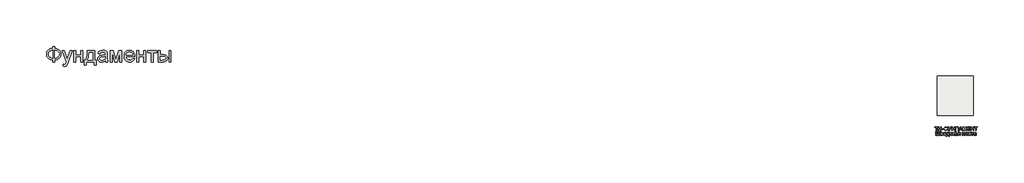
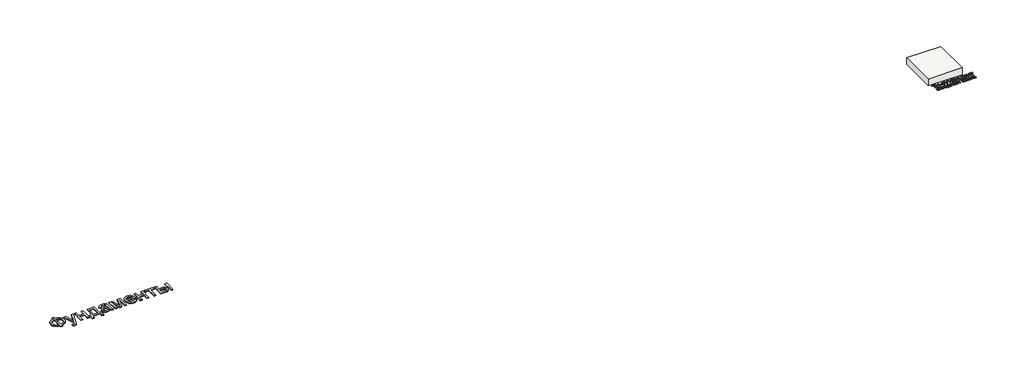
# One storey: 2 proxies, 1 slab.
"""IFC4 building model written with IfcOpenShell, lengths in millimetres."""

from ifc_helpers import new_model, si_unit, frame, origin, origin_with_axes, place, context, project, spatial, polyline, outline, extrude, element, save

model = new_model("IFC4")

# Units and contexts
model_context = context("Model", 3, world=origin())
ifc_project = project(units=[si_unit("LENGTHUNIT", "METRE", prefix="MILLI")], contexts=[model_context])

# Site, building, storey
site = spatial("IfcSite", under=ifc_project)
building = spatial("IfcBuilding", under=site)
storey = spatial("IfcBuildingStorey", under=building, Elevation=0.0)

# Proxies
placement = place(None, origin())
element("IfcBuildingElementProxy", 1, Name="Generic Models", at=placement, inside=storey, context=model_context, shape_type="SweptSolid", body=[
    extrude(outline(polyline([(-1939.8736325, -26885.7211043), (-1939.8736325, -26787.7817103), (-1841.9342386, -26787.7817103), (-1841.9342386, -26885.7211043), (-1772.0723186, -26894.3529698), (-1709.9695132, -26912.2144755), (-1655.6258224, -26939.3056213), (-1609.0412461, -26975.6264073), (-1571.6743546, -27019.0607113), (-1544.9837177, -27067.4924111), (-1528.9693356, -27120.9215067), (-1523.6312083, -27179.3479982), (-1528.8019587, -27236.6028514), (-1544.3142102, -27289.3863505), (-1570.1679625, -27337.6984954), (-1606.3632158, -27381.5392861), (-1628.1416397, -27401.1761824), (-1652.1109076, -27418.4817577), (-1706.6219753, -27446.0989452), (-1769.896419, -27464.3908486), (-1841.9342386, -27473.3574679), (-1841.9342386, -27571.2968619), (-1939.8736325, -27571.2968619), (-1939.8736325, -27473.3574679), (-2005.3060425, -27466.0586398), (-2065.0237272, -27449.518216), (-2119.0266865, -27423.7361966), (-2167.3149204, -27388.7125816), (-2207.0669327, -27345.8939854), (-2222.6837947, -27322.10405), (-2235.4612272, -27296.7270228), (-2245.3992303, -27269.7629041), (-2252.4978039, -27241.2116938), (-2258.1766628, -27179.3479982), (-2252.5157371, -27117.2033486), (-2245.4395801, -27088.5878775), (-2235.5329602, -27061.6103088), (-2222.7958774, -27036.2706426), (-2207.2283318, -27012.5688789), (-2188.8303234, -26990.5050176), (-2167.6018522, -26970.0790588), (-2119.4032845, -26935.3961753), (-2065.382392, -26909.775555), (-2005.5391746, -26893.217198), (-1939.8736325, -26885.7211043)]), holes=[polyline([(-1841.9342386, -26983.6604982), (-1841.9342386, -27375.418074), (-1793.3949393, -27370.2234125), (-1750.3073446, -27359.2303372), (-1712.6714545, -27342.4388481), (-1680.4872689, -27319.8489452), (-1654.7112272, -27291.9627591), (-1636.2997689, -27259.2824206), (-1625.2528939, -27221.8079296), (-1621.5706022, -27179.5392861), (-1625.1871387, -27137.922217), (-1636.036748, -27100.872146), (-1654.1194303, -27068.389073), (-1679.4351855, -27040.4729982), (-1711.2905951, -27017.6977852), (-1748.9922405, -27000.6372975), (-1792.5401216, -26989.2915352), (-1841.9342386, -26983.6604982)]), polyline([(-1939.8736325, -26983.6604982), (-1986.781007, -26988.5861611), (-2028.989873, -26999.3461043), (-2066.5002305, -27015.9403278), (-2099.3120795, -27038.3688316), (-2125.9668498, -27066.2012179), (-2145.0059715, -27099.0070891), (-2156.4294445, -27136.7864452), (-2160.2372689, -27179.5392861), (-2156.4772665, -27221.9035735), (-2145.1972594, -27259.4737085), (-2126.3972476, -27292.2496909), (-2100.077231, -27320.231521), (-2067.5044919, -27342.8692459), (-2029.9463124, -27359.612913), (-1987.4026926, -27370.4625224), (-1939.8736325, -27375.418074), (-1939.8736325, -26983.6604982)])]), origin_with_axes(), (0.0, 0.0, 1.0), 40.0),
    extrude(outline(polyline([(-1401.2069658, -27791.6604982), (-1413.4493901, -27697.355574), (-1386.764731, -27703.8115399), (-1363.7145416, -27705.9635285), (-1337.5559242, -27703.2615872), (-1317.2315871, -27695.1557634), (-1301.4025151, -27682.2199206), (-1288.7296931, -27665.0279225), (-1261.9493901, -27592.9123922), (-1254.2978749, -27569.1926952), (-1462.4190871, -26995.9029225), (-1359.1236325, -26995.9029225), (-1248.7505264, -27315.35368), (-1210.3016628, -27443.1339831), (-1171.8527992, -27330.2741346), (-1058.4190871, -26995.9029225), (-955.888784, -26995.9029225), (-1156.1671931, -27585.0695891), (-1185.9124583, -27663.4019755), (-1208.1974961, -27712.8498922), (-1234.8343333, -27753.6420323), (-1265.0099961, -27781.9048164), (-1300.0634999, -27798.403396), (-1341.3338598, -27803.9029225), (-1369.6922878, -27800.8423164), (-1401.2069658, -27791.6604982)])), origin_with_axes(), (0.0, 0.0, 1.0), 40.0),
    extrude(outline(polyline([(-874.7827234, -26995.9029225), (-776.8433295, -26995.9029225), (-776.8433295, -27216.2665588), (-519.7524204, -27216.2665588), (-519.7524204, -26995.9029225), (-421.8130264, -26995.9029225), (-421.8130264, -27571.2968619), (-519.7524204, -27571.2968619), (-519.7524204, -27314.2059528), (-776.8433295, -27314.2059528), (-776.8433295, -27571.2968619), (-874.7827234, -27571.2968619), (-874.7827234, -26995.9029225)])), origin_with_axes(), (0.0, 0.0, 1.0), 40.0),
    extrude(outline(polyline([(-189.2069658, -26995.9029225), (178.0657614, -26995.9029225), (178.0657614, -27473.3574679), (251.5203069, -27473.3574679), (251.5203069, -27730.448377), (153.5809129, -27730.448377), (153.5809129, -27571.2968619), (-250.4190871, -27571.2968619), (-250.4190871, -27730.448377), (-348.358481, -27730.448377), (-348.358481, -27473.3574679), (-287.1463598, -27473.3574679), (-263.2293972, -27436.3970631), (-242.648017, -27392.9448259), (-225.4022192, -27343.0007563), (-211.4920037, -27286.5648543), (-200.9173707, -27223.6371199), (-193.67832, -27154.2175531), (-189.7748517, -27078.306154), (-189.2069658, -26995.9029225)]), holes=[polyline([(-103.5099961, -27093.8423164), (-111.5440871, -27213.7559054), (-126.4645416, -27316.979627), (-148.2713598, -27403.5134812), (-161.7571552, -27440.521708), (-176.9645416, -27473.3574679), (80.1263675, -27473.3574679), (80.1263675, -27093.8423164), (-103.5099961, -27093.8423164)])]), origin_with_axes(), (0.0, 0.0, 1.0), 40.0),
    extrude(outline(polyline([(728.9748523, -27497.8423164), (682.181055, -27537.964949), (658.2640924, -27552.8256261), (634.0004205, -27564.2192103), (583.3330436, -27578.7092672), (529.079019, -27583.5392861), (485.4713604, -27580.6341014), (447.2317179, -27571.9185475), (414.3600914, -27557.3926242), (386.8564811, -27537.0563316), (365.1393291, -27512.2008628), (349.6270777, -27484.1174111), (340.3197269, -27452.8059764), (337.2172766, -27418.2665588), (341.9038296, -27377.6657066), (355.9634887, -27340.7949679), (377.650752, -27309.2324679), (405.2201175, -27284.5563316), (437.619502, -27265.9057634), (473.796822, -27252.4199679), (558.5373523, -27237.6908013), (658.6765569, -27222.1964831), (728.4009887, -27204.0241346), (728.9748523, -27182.2173164), (727.2891279, -27158.4737085), (722.2319546, -27138.5080361), (713.8033325, -27122.3202994), (702.0032614, -27109.9104982), (681.6071914, -27097.5246081), (656.7636781, -27088.6775437), (627.4727217, -27083.369305), (593.734322, -27081.5998922), (535.391519, -27086.3103562), (512.8195493, -27092.1984362), (494.6472008, -27100.4417482), (479.7147908, -27111.6858888), (466.8626364, -27126.5764547), (456.0907378, -27145.1134457), (447.3990948, -27167.2968619), (349.4597008, -27155.0544376), (366.4604111, -27101.4938316), (378.0990829, -27079.0175058), (391.829966, -27059.4104982), (408.2448571, -27042.2782776), (427.9355531, -27027.2263126), (450.902054, -27014.2546033), (477.1443599, -27003.3631497), (537.3283088, -26988.5861611), (606.359322, -26983.6604982), (672.5688391, -26988.0122975), (725.0534508, -27001.0676952), (764.6261307, -27020.6986138), (792.0998523, -27044.7769755), (810.3200228, -27074.5461516), (822.1320493, -27111.2495134), (825.718697, -27145.1074679), (826.9142463, -27196.9464831), (826.9142463, -27318.7968619), (828.1576175, -27424.9377236), (831.8877311, -27488.94743), (839.2523145, -27531.0068524), (851.3990948, -27571.2968619), (753.4597008, -27571.2968619), (737.7740948, -27537.2476194), (728.9748523, -27497.8423164)]), holes=[polyline([(728.9748523, -27301.9635285), (663.171822, -27318.2708202), (570.9710645, -27331.9957255), (520.1602217, -27339.5037747), (486.7087539, -27347.8726194), (464.7823807, -27358.7282066), (448.546822, -27373.6964831), (438.5042084, -27391.6297217), (435.1566705, -27411.3801952), (436.9798831, -27426.599537), (442.4495209, -27440.5037747), (451.5655839, -27453.0929083), (464.328072, -27464.3669376), (480.6174305, -27473.6563552), (500.3141042, -27480.2916535), (549.9293978, -27485.5998922), (602.5335645, -27479.7417009), (626.5401932, -27472.4189618), (649.016519, -27462.167127), (686.7002311, -27436.2715304), (712.9066705, -27405.450271), (724.5274092, -27373.6964831), (728.4009887, -27329.700271), (728.9748523, -27301.9635285)])]), origin_with_axes(), (0.0, 0.0, 1.0), 40.0),
    extrude(outline(polyline([(961.5809129, -26995.9029225), (1130.1055342, -26995.9029225), (1259.9900039, -27456.5241346), (1400.0127311, -26995.9029225), (1561.4597008, -26995.9029225), (1561.4597008, -27571.2968619), (1463.5203069, -27571.2968619), (1463.5203069, -27107.9976194), (1322.7324281, -27571.2968619), (1194.1869736, -27571.2968619), (1059.5203069, -27085.8082255), (1059.5203069, -27571.2968619), (961.5809129, -27571.2968619), (961.5809129, -26995.9029225)])), origin_with_axes(), (0.0, 0.0, 1.0), 40.0),
    extrude(outline(polyline([(2111.2210645, -27399.9029225), (2207.2475796, -27412.1453467), (2192.5243907, -27450.6061658), (2172.6483845, -27484.4999869), (2147.6195611, -27513.8268098), (2117.4379205, -27538.5866346), (2082.4143055, -27558.2534196), (2042.8595588, -27572.3011232), (1998.7736805, -27580.7297454), (1950.1566705, -27583.5392861), (1889.3869025, -27578.6913339), (1835.2404773, -27564.1474774), (1787.717395, -27539.9077165), (1746.8176554, -27505.9720513), (1713.9280957, -27463.2849656), (1690.4355531, -27412.7909433), (1676.3400275, -27354.4899845), (1671.641519, -27288.3820891), (1676.3878495, -27220.0325389), (1690.626841, -27159.7888126), (1714.3584934, -27107.6509102), (1747.5828069, -27063.6188316), (1788.374947, -27028.6370607), (1834.8100796, -27003.6500816), (1886.8882046, -26988.6578941), (1944.609322, -26983.6604982), (2000.4713604, -26988.6459386), (2050.9892936, -27003.6022596), (2096.1631218, -27028.5294613), (2135.9928448, -27063.4275437), (2168.5058064, -27107.3639783), (2191.7293504, -27159.4062369), (2205.6634769, -27219.5543192), (2210.3081857, -27287.8082255), (2209.734322, -27314.2059528), (1769.5809129, -27314.2059528), (1775.2537941, -27353.2884575), (1786.5338012, -27387.5170323), (1803.4209343, -27416.8916772), (1825.9151932, -27441.4123922), (1852.773207, -27460.7444234), (1882.7516042, -27474.5530172), (1915.850385, -27482.8381734), (1952.0695493, -27485.5998922), (2004.1954963, -27480.4829414), (2048.0960645, -27465.1320891), (2066.9618315, -27453.3798401), (2083.7712539, -27438.590896), (2098.5243315, -27420.7652567), (2111.2210645, -27399.9029225)]), holes=[polyline([(1769.5809129, -27216.2665588), (2112.3687917, -27216.2665588), (2107.3355294, -27188.5537274), (2099.1221061, -27164.5231876), (2087.7285218, -27144.1749395), (2073.1547766, -27127.5089831), (2046.4462065, -27107.4237558), (2016.0553448, -27093.0771649), (1981.9821914, -27084.4692103), (1944.2267463, -27081.5998922), (1909.7889504, -27083.889369), (1878.2085171, -27090.7577994), (1849.4854466, -27102.2051834), (1823.6197387, -27118.231521), (1801.9145422, -27138.0955716), (1785.6730057, -27161.0560948), (1774.8951293, -27187.1130906), (1769.5809129, -27216.2665588)])]), origin_with_axes(), (0.0, 0.0, 1.0), 40.0),
    extrude(outline(polyline([(2308.2475796, -26995.9029225), (2406.1869736, -26995.9029225), (2406.1869736, -27216.2665588), (2663.2778826, -27216.2665588), (2663.2778826, -26995.9029225), (2761.2172766, -26995.9029225), (2761.2172766, -27571.2968619), (2663.2778826, -27571.2968619), (2663.2778826, -27314.2059528), (2406.1869736, -27314.2059528), (2406.1869736, -27571.2968619), (2308.2475796, -27571.2968619), (2308.2475796, -26995.9029225)])), origin_with_axes(), (0.0, 0.0, 1.0), 40.0),
    extrude(outline(polyline([(2859.1566705, -26995.9029225), (3324.3687917, -26995.9029225), (3324.3687917, -27093.8423164), (3140.7324281, -27093.8423164), (3140.7324281, -27571.2968619), (3042.7930342, -27571.2968619), (3042.7930342, -27093.8423164), (2859.1566705, -27093.8423164), (2859.1566705, -26995.9029225)])), origin_with_axes(), (0.0, 0.0, 1.0), 40.0),
    extrude(outline(polyline([(3948.7324281, -26995.9029225), (4046.671822, -26995.9029225), (4046.671822, -27571.2968619), (3948.7324281, -27571.2968619), (3948.7324281, -26995.9029225)])), origin_with_axes(), (0.0, 0.0, 1.0), 40.0),
    extrude(outline(polyline([(3410.0657614, -26995.9029225), (3508.0051554, -26995.9029225), (3508.0051554, -27204.0241346), (3629.0903826, -27204.0241346), (3684.8089551, -27207.0907184), (3733.7487633, -27216.2904698), (3775.9098074, -27231.6233888), (3811.2920872, -27253.0894755), (3839.2858727, -27279.9474892), (3859.2814338, -27311.4561895), (3871.2787704, -27347.6155763), (3875.2778826, -27388.4256497), (3871.924367, -27424.8361019), (3861.8638201, -27458.5087463), (3845.096242, -27489.443583), (3821.6216326, -27517.6406119), (3790.7824399, -27541.1152212), (3751.9211118, -27557.8827994), (3705.0376483, -27567.9433462), (3650.1320493, -27571.2968619), (3410.0657614, -27571.2968619), (3410.0657614, -26995.9029225)]), holes=[polyline([(3508.0051554, -27473.3574679), (3608.6225796, -27473.3574679), (3686.6202122, -27468.2166062), (3715.8274802, -27461.790529), (3738.5070493, -27452.794021), (3755.495804, -27441.0716606), (3767.6306289, -27426.4680266), (3774.9115237, -27408.983119), (3777.3384887, -27388.6169376), (3775.5391871, -27372.1542245), (3770.1412823, -27356.6240399), (3761.1447742, -27342.0263836), (3748.5496629, -27328.3612558), (3729.8094286, -27316.8122501), (3702.3775512, -27308.5629603), (3666.2540308, -27303.6133865), (3621.4388675, -27301.9635285), (3508.0051554, -27301.9635285), (3508.0051554, -27473.3574679)])]), origin_with_axes(), (0.0, 0.0, 1.0), 40.0),
])
element("IfcBuildingElementProxy", 2, Name="Generic Models", at=placement, inside=storey, context=model_context, shape_type="SweptSolid", body=[
    extrude(outline(polyline([(42820.2581088, -31067.2506219), (42820.2581088, -30894.9429296), (42755.6427242, -30894.9429296), (42755.6427242, -30870.327545), (42909.488878, -30870.327545), (42909.488878, -30894.9429296), (42844.8734934, -30894.9429296), (42844.8734934, -31067.2506219), (42820.2581088, -31067.2506219)])), origin_with_axes(), (0.0, 0.0, 1.0), 20.0),
    extrude(outline(polyline([(42937.1811857, -31067.2506219), (42937.1811857, -30870.327545), (42961.7965704, -30870.327545), (42961.7965704, -30950.327545), (43066.411955, -30950.327545), (43066.411955, -30870.327545), (43091.0273396, -30870.327545), (43091.0273396, -31067.2506219), (43066.411955, -31067.2506219), (43066.411955, -30974.9429296), (42961.7965704, -30974.9429296), (42961.7965704, -31067.2506219), (42937.1811857, -31067.2506219)])), origin_with_axes(), (0.0, 0.0, 1.0), 20.0),
    extrude(outline(polyline([(43118.7196473, -31008.7890834), (43118.7196473, -30984.1736988), (43195.6427242, -30984.1736988), (43195.6427242, -31008.7890834), (43118.7196473, -31008.7890834)])), origin_with_axes(), (0.0, 0.0, 1.0), 20.0),
    extrude(outline(polyline([(43297.1811857, -30894.9429296), (43297.1811857, -30870.327545), (43321.7965704, -30870.327545), (43321.7965704, -30894.9429296), (43354.9636377, -30901.6015834), (43380.3302242, -30917.5390834), (43396.4299838, -30940.6280257), (43401.7965704, -30968.7410065), (43396.598253, -30996.3972565), (43381.0033011, -31019.5583142), (43355.8049838, -31035.7842757), (43321.7965704, -31042.6352373), (43321.7965704, -31067.2506219), (43297.1811857, -31067.2506219), (43297.1811857, -31042.6352373), (43265.7268588, -31036.6436507), (43240.0177242, -31021.3611988), (43230.0267386, -31010.5994801), (43222.8903204, -30998.2422084), (43217.1811857, -30968.7410065), (43222.8722915, -30939.1496603), (43229.9861737, -30926.8239392), (43239.9456088, -30916.1448527), (43265.6367146, -30900.9886027), (43297.1811857, -30894.9429296)]), holes=[polyline([(43297.1811857, -30919.5583142), (43274.7833492, -30923.5006219), (43257.1090704, -30933.3083142), (43245.6246954, -30948.5486988), (43241.7965704, -30968.7890834), (43245.5766184, -30988.8792277), (43256.9167627, -31004.1496603), (43274.5429646, -31014.0474969), (43297.1811857, -31018.0198527), (43297.1811857, -30919.5583142)]), polyline([(43321.7965704, -30919.5583142), (43321.7965704, -31018.0198527), (43344.8254165, -31013.951343), (43362.3734934, -31004.0535065), (43373.4792627, -30988.8311507), (43377.1811857, -30968.7890834), (43373.5453684, -30949.0174488), (43362.6379165, -30933.8371603), (43345.1559454, -30923.8251411), (43321.7965704, -30919.5583142)])]), origin_with_axes(), (0.0, 0.0, 1.0), 20.0),
    extrude(outline(polyline([(43421.7965704, -30870.327545), (43449.0561857, -30870.327545), (43507.9504165, -30986.9621603), (43560.9311857, -30870.327545), (43587.9504165, -30870.327545), (43513.1908011, -31023.7410065), (43492.8542627, -31061.4333142), (43483.2028204, -31068.1039873), (43470.113878, -31070.327545), (43447.9504165, -31067.2506219), (43447.9504165, -31045.7121603), (43467.3254165, -31045.7121603), (43481.7004165, -31040.2313911), (43495.0177242, -31015.279468), (43421.7965704, -30870.327545)])), origin_with_axes(), (0.0, 0.0, 1.0), 20.0),
    extrude(outline(polyline([(43611.0273396, -31067.2506219), (43611.0273396, -30870.327545), (43635.6427242, -30870.327545), (43635.6427242, -30950.327545), (43740.2581088, -30950.327545), (43740.2581088, -30870.327545), (43764.8734934, -30870.327545), (43764.8734934, -31067.2506219), (43740.2581088, -31067.2506219), (43740.2581088, -30974.9429296), (43635.6427242, -30974.9429296), (43635.6427242, -31067.2506219), (43611.0273396, -31067.2506219)])), origin_with_axes(), (0.0, 0.0, 1.0), 20.0),
    extrude(outline(polyline([(43826.411955, -30870.327545), (43943.3350319, -30870.327545), (43943.3350319, -31042.6352373), (43961.7965704, -31042.6352373), (43961.7965704, -31113.404468), (43937.1811857, -31113.404468), (43937.1811857, -31067.2506219), (43811.0273396, -31067.2506219), (43811.0273396, -31113.404468), (43786.411955, -31113.404468), (43786.411955, -31042.6352373), (43801.7965704, -31042.6352373), (43812.5658011, -31020.3065113), (43820.2581088, -30988.8972565), (43824.8734934, -30948.4074728), (43826.411955, -30898.8371603), (43826.411955, -30870.327545)]), holes=[polyline([(43918.7196473, -30894.9429296), (43851.0273396, -30894.9429296), (43851.0273396, -30904.8467757), (43846.0273396, -30972.2986988), (43838.6234934, -31011.2770642), (43826.411955, -31042.6352373), (43918.7196473, -31042.6352373), (43918.7196473, -30894.9429296)])]), origin_with_axes(), (0.0, 0.0, 1.0), 20.0),
    extrude(outline(polyline([(43969.6331088, -31067.2506219), (44048.238878, -30870.327545), (44069.2004165, -30870.327545), (44147.8061857, -31067.2506219), (44121.7965704, -31067.2506219), (44099.2484934, -31005.7121603), (44018.1427242, -31005.7121603), (43995.6427242, -31067.2506219), (43969.6331088, -31067.2506219)]), holes=[polyline([(44027.1811857, -30981.0967757), (44090.2581088, -30981.0967757), (44072.5177242, -30932.6833142), (44058.7196473, -30894.9429296), (44046.4600319, -30928.452545), (44027.1811857, -30981.0967757)])]), origin_with_axes(), (0.0, 0.0, 1.0), 20.0),
    extrude(outline(polyline([(44174.1042627, -31067.2506219), (44174.1042627, -30870.327545), (44216.4600319, -30870.327545), (44256.7484934, -31009.1256219), (44264.8734934, -31038.1160065), (44273.6715704, -31006.7217757), (44313.286955, -30870.327545), (44355.6427242, -30870.327545), (44355.6427242, -31067.2506219), (44331.0273396, -31067.2506219), (44331.0273396, -30894.9429296), (44281.5561857, -31067.2506219), (44248.1908011, -31067.2506219), (44198.7196473, -30894.9429296), (44198.7196473, -31067.2506219), (44174.1042627, -31067.2506219)])), origin_with_axes(), (0.0, 0.0, 1.0), 20.0),
    extrude(outline(polyline([(44398.7196473, -31067.2506219), (44398.7196473, -30870.327545), (44540.2581088, -30870.327545), (44540.2581088, -30894.9429296), (44423.3350319, -30894.9429296), (44423.3350319, -30953.404468), (44534.1042627, -30953.404468), (44534.1042627, -30978.0198527), (44423.3350319, -30978.0198527), (44423.3350319, -31042.6352373), (44543.3350319, -31042.6352373), (44543.3350319, -31067.2506219), (44398.7196473, -31067.2506219)])), origin_with_axes(), (0.0, 0.0, 1.0), 20.0),
    extrude(outline(polyline([(44580.2581088, -31067.2506219), (44580.2581088, -30870.327545), (44604.8734934, -30870.327545), (44604.8734934, -30950.327545), (44709.488878, -30950.327545), (44709.488878, -30870.327545), (44734.1042627, -30870.327545), (44734.1042627, -31067.2506219), (44709.488878, -31067.2506219), (44709.488878, -30974.9429296), (44604.8734934, -30974.9429296), (44604.8734934, -31067.2506219), (44580.2581088, -31067.2506219)])), origin_with_axes(), (0.0, 0.0, 1.0), 20.0),
    extrude(outline(polyline([(44826.411955, -31067.2506219), (44826.411955, -30894.9429296), (44761.7965704, -30894.9429296), (44761.7965704, -30870.327545), (44915.6427242, -30870.327545), (44915.6427242, -30894.9429296), (44851.0273396, -30894.9429296), (44851.0273396, -31067.2506219), (44826.411955, -31067.2506219)])), origin_with_axes(), (0.0, 0.0, 1.0), 20.0),
    extrude(outline(polyline([(42814.1042627, -31113.404468), (42838.7196473, -31113.404468), (42838.7196473, -31285.7121603), (42909.488878, -31285.7121603), (42909.488878, -31113.404468), (42934.1042627, -31113.404468), (42934.1042627, -31285.7121603), (43004.8734934, -31285.7121603), (43004.8734934, -31113.404468), (43029.488878, -31113.404468), (43029.488878, -31310.327545), (42814.1042627, -31310.327545), (42814.1042627, -31113.404468)])), origin_with_axes(), (0.0, 0.0, 1.0), 20.0),
    extrude(outline(polyline([(43066.411955, -31165.7121603), (43120.6427242, -31165.7121603), (43150.3783011, -31169.0054296), (43167.1090704, -31181.0727373), (43172.3554646, -31190.71817), (43174.1042627, -31202.1063911), (43169.8734934, -31219.1977373), (43157.1331088, -31231.3852373), (43166.2436857, -31236.49942), (43173.6715704, -31244.7265834), (43178.6114742, -31255.4176892), (43180.2581088, -31267.9236988), (43176.0874357, -31286.685718), (43166.1715704, -31299.8948527), (43150.474455, -31307.7193719), (43128.9600319, -31310.327545), (43066.411955, -31310.327545), (43066.411955, -31165.7121603)]), holes=[polyline([(43091.0273396, -31221.0967757), (43115.3542627, -31221.0967757), (43135.426378, -31219.8467757), (43145.1859934, -31214.8467757), (43149.488878, -31205.8083142), (43147.6018588, -31198.4645642), (43141.9408011, -31193.7410065), (43116.1234934, -31190.327545), (43091.0273396, -31190.327545), (43091.0273396, -31221.0967757)]), polyline([(43091.0273396, -31285.7121603), (43121.2196473, -31285.7121603), (43137.6739742, -31284.6003815), (43147.9984934, -31281.265045), (43153.5393588, -31275.201343), (43155.6427242, -31265.904468), (43151.4359934, -31254.0535065), (43140.474455, -31247.154468), (43118.8158011, -31245.7121603), (43091.0273396, -31245.7121603), (43091.0273396, -31285.7121603)])]), origin_with_axes(), (0.0, 0.0, 1.0), 20.0),
    extrude(outline(polyline([(43312.2773396, -31267.2506219), (43336.411955, -31270.327545), (43327.7160415, -31288.5126411), (43313.8398396, -31302.1063911), (43295.0958492, -31310.5799488), (43271.7965704, -31313.404468), (43242.9143588, -31308.53067), (43220.6908011, -31293.9092757), (43206.520128, -31270.4898046), (43201.7965704, -31239.2217757), (43206.568205, -31206.9020642), (43220.8831088, -31182.7313911), (43242.8061857, -31167.6592757), (43270.4023396, -31162.6352373), (43297.1391184, -31167.6472565), (43318.5033011, -31182.6833142), (43332.5117146, -31206.8059103), (43337.1811857, -31239.077545), (43337.036955, -31245.7121603), (43226.411955, -31245.7121603), (43230.6727723, -31264.1376411), (43240.5706088, -31277.6833142), (43254.8554646, -31286.0126411), (43272.2773396, -31288.7890834), (43296.411955, -31283.6448527), (43305.3783011, -31276.9741796), (43312.2773396, -31267.2506219)]), holes=[polyline([(43226.411955, -31221.0967757), (43312.5658011, -31221.0967757), (43309.2364742, -31208.091968), (43302.7100319, -31198.7890834), (43288.3590704, -31190.1352373), (43270.3061857, -31187.2506219), (43253.7136377, -31189.5523046), (43239.9936857, -31196.4573527), (43230.4564261, -31207.2205738), (43226.411955, -31221.0967757)])]), origin_with_axes(), (0.0, 0.0, 1.0), 20.0),
    extrude(outline(polyline([(43383.3350319, -31165.7121603), (43475.6427242, -31165.7121603), (43475.6427242, -31285.7121603), (43494.1042627, -31285.7121603), (43494.1042627, -31350.327545), (43469.488878, -31350.327545), (43469.488878, -31310.327545), (43367.9504165, -31310.327545), (43367.9504165, -31350.327545), (43343.3350319, -31350.327545), (43343.3350319, -31285.7121603), (43358.7196473, -31285.7121603), (43369.9035415, -31265.5018238), (43377.7340704, -31238.765045), (43382.2112338, -31205.5018238), (43383.3350319, -31165.7121603)]), holes=[polyline([(43404.8734934, -31190.327545), (43399.1042627, -31246.4092757), (43386.411955, -31285.7121603), (43451.0273396, -31285.7121603), (43451.0273396, -31190.327545), (43404.8734934, -31190.327545)])]), origin_with_axes(), (0.0, 0.0, 1.0), 20.0),
    extrude(outline(polyline([(43614.1042627, -31258.0198527), (43638.7196473, -31261.0967757), (43631.8566665, -31282.9898046), (43618.9600319, -31299.5342757), (43601.2436857, -31309.93692), (43579.9215704, -31313.404468), (43553.7376761, -31308.5667277), (43533.2629165, -31294.0535065), (43520.0477723, -31270.5018238), (43515.6427242, -31238.5486988), (43517.5237338, -31216.6436507), (43523.1667627, -31197.6592757), (43532.661955, -31182.3287469), (43546.099455, -31171.3852373), (43562.1751761, -31164.8227373), (43579.5850319, -31162.6352373), (43600.3843107, -31165.640045), (43617.0129165, -31174.654468), (43628.942003, -31189.1977373), (43635.6427242, -31208.7890834), (43611.0273396, -31211.8660065), (43606.5621954, -31201.1268238), (43599.6090704, -31193.4285065), (43590.55258, -31188.795093), (43579.7773396, -31187.2506219), (43563.8698877, -31190.2914873), (43551.2436857, -31199.4140834), (43543.004503, -31215.1111988), (43540.2581088, -31237.8756219), (43542.9444069, -31260.9465353), (43551.0033011, -31276.6977373), (43563.4011377, -31285.7662469), (43579.1042627, -31288.7890834), (43591.8506569, -31286.9020642), (43602.301378, -31281.2410065), (43609.9035415, -31271.6616796), (43614.1042627, -31258.0198527)])), origin_with_axes(), (0.0, 0.0, 1.0), 20.0),
    extrude(outline(polyline([(43660.2581088, -31165.7121603), (43684.8734934, -31165.7121603), (43684.8734934, -31227.2506219), (43701.363878, -31222.827545), (43714.8734934, -31197.0583142), (43726.099455, -31174.8227373), (43736.0033011, -31167.5871603), (43754.0081088, -31165.7121603), (43758.7196473, -31165.7121603), (43758.7196473, -31190.4717757), (43752.0850319, -31190.327545), (43740.0658011, -31192.9236988), (43731.6042627, -31209.1256219), (43721.676378, -31226.6496603), (43707.7581088, -31235.2313911), (43723.286955, -31244.810718), (43738.5273396, -31264.9910065), (43764.8734934, -31310.327545), (43736.8927242, -31310.327545), (43711.0754165, -31265.952545), (43698.0946473, -31247.1785065), (43684.8734934, -31242.6352373), (43684.8734934, -31310.327545), (43660.2581088, -31310.327545), (43660.2581088, -31165.7121603)])), origin_with_axes(), (0.0, 0.0, 1.0), 20.0),
    extrude(outline(polyline([(43872.5658011, -31291.8660065), (43848.6956088, -31308.5486988), (43822.3254165, -31313.404468), (43801.754503, -31310.483795), (43786.5802242, -31301.7217757), (43777.223253, -31288.4164873), (43774.1042627, -31271.8660065), (43778.8158011, -31252.3948527), (43791.1956088, -31238.2602373), (43808.4311857, -31230.1833142), (43829.7292627, -31226.4813911), (43872.4215704, -31218.0198527), (43872.5658011, -31212.5390834), (43870.8710896, -31201.5535065), (43865.786955, -31194.3660065), (43854.4167627, -31189.029468), (43838.5754165, -31187.2506219), (43813.6715704, -31191.9861988), (43806.6883973, -31198.5547084), (43801.7965704, -31208.7890834), (43777.1811857, -31205.7121603), (43787.8302242, -31181.6736988), (43796.9047434, -31173.5847565), (43809.2725319, -31167.5871603), (43841.7484934, -31162.6352373), (43871.5802242, -31167.0102373), (43888.4311857, -31177.9958142), (43895.9792627, -31194.702545), (43897.1811857, -31216.2410065), (43897.1811857, -31246.8660065), (43898.4311857, -31289.6304296), (43903.3350319, -31310.327545), (43878.7196473, -31310.327545), (43872.5658011, -31291.8660065)]), holes=[polyline([(43872.5658011, -31242.6352373), (43832.8542627, -31250.1833142), (43811.676378, -31254.1736988), (43802.0850319, -31260.6640834), (43798.7196473, -31270.1352373), (43800.55258, -31277.4549488), (43806.051378, -31283.452545), (43815.0958492, -31287.4549488), (43827.5658011, -31288.7890834), (43840.786955, -31287.3167277), (43852.4696473, -31282.8996603), (43868.5273396, -31268.6448527), (43872.4215704, -31249.6063911), (43872.5658011, -31242.6352373)])]), origin_with_axes(), (0.0, 0.0, 1.0), 20.0),
    extrude(outline(polyline([(44041.7965704, -31165.7121603), (44041.7965704, -31310.327545), (44017.1811857, -31310.327545), (44017.1811857, -31254.9429296), (44003.7677242, -31254.9429296), (43985.4984934, -31258.0679296), (43968.3350319, -31279.077545), (43948.7196473, -31310.327545), (43920.2581088, -31310.327545), (43944.9696473, -31270.8083142), (43955.8831088, -31256.6256219), (43965.9311857, -31250.327545), (43949.1042627, -31245.171295), (43937.2773396, -31235.3756219), (43930.2821473, -31222.3467757), (43927.9504165, -31207.4910065), (43931.1355127, -31190.640045), (43940.6908011, -31177.2986988), (43956.2797434, -31168.608795), (43977.5658011, -31165.7121603), (44041.7965704, -31165.7121603)]), holes=[polyline([(44017.1811857, -31190.327545), (43984.7292627, -31190.327545), (43967.9684454, -31191.7518238), (43958.4552242, -31196.0246603), (43952.5658011, -31209.3660065), (43954.7352723, -31218.7470161), (43961.2436857, -31225.2554296), (43973.2689261, -31229.0595161), (43991.988878, -31230.327545), (44017.1811857, -31230.327545), (44017.1811857, -31190.327545)])]), origin_with_axes(), (0.0, 0.0, 1.0), 20.0),
    extrude(outline(polyline([(44155.6427242, -31165.7121603), (44266.411955, -31165.7121603), (44266.411955, -31310.327545), (44241.7965704, -31310.327545), (44241.7965704, -31190.327545), (44180.2581088, -31190.327545), (44180.2581088, -31310.327545), (44155.6427242, -31310.327545), (44155.6427242, -31165.7121603)])), origin_with_axes(), (0.0, 0.0, 1.0), 20.0),
    extrude(outline(polyline([(44315.6427242, -31165.7121603), (44426.411955, -31165.7121603), (44426.411955, -31310.1833142), (44401.7965704, -31310.1833142), (44401.7965704, -31190.327545), (44340.2581088, -31190.327545), (44340.2581088, -31259.3179296), (44338.599455, -31291.1448527), (44329.488878, -31304.5823527), (44320.3783011, -31308.8912469), (44307.9504165, -31310.327545), (44287.9504165, -31309.077545), (44287.9504165, -31285.7121603), (44298.9600319, -31285.7121603), (44310.0898396, -31284.1977373), (44314.536955, -31279.390045), (44315.6427242, -31257.9236988), (44315.6427242, -31165.7121603)])), origin_with_axes(), (0.0, 0.0, 1.0), 20.0),
    extrude(outline(polyline([(44463.3350319, -31165.7121603), (44487.9504165, -31165.7121603), (44487.9504165, -31276.0006219), (44548.4311857, -31165.7121603), (44580.2581088, -31165.7121603), (44580.2581088, -31310.327545), (44555.6427242, -31310.327545), (44555.6427242, -31200.7121603), (44495.5465704, -31310.327545), (44463.3350319, -31310.327545), (44463.3350319, -31165.7121603)])), origin_with_axes(), (0.0, 0.0, 1.0), 20.0),
    extrude(outline(polyline([(44604.8734934, -31165.7121603), (44721.7965704, -31165.7121603), (44721.7965704, -31190.327545), (44675.6427242, -31190.327545), (44675.6427242, -31310.327545), (44651.0273396, -31310.327545), (44651.0273396, -31190.327545), (44604.8734934, -31190.327545), (44604.8734934, -31165.7121603)])), origin_with_axes(), (0.0, 0.0, 1.0), 20.0),
    extrude(outline(polyline([(44835.6427242, -31291.8660065), (44811.7725319, -31308.5486988), (44785.4023396, -31313.404468), (44764.8314261, -31310.483795), (44749.6571473, -31301.7217757), (44740.3001761, -31288.4164873), (44737.1811857, -31271.8660065), (44741.8927242, -31252.3948527), (44754.2725319, -31238.2602373), (44771.5081088, -31230.1833142), (44792.8061857, -31226.4813911), (44835.4984934, -31218.0198527), (44835.6427242, -31212.5390834), (44833.9480127, -31201.5535065), (44828.863878, -31194.3660065), (44817.4936857, -31189.029468), (44801.6523396, -31187.2506219), (44776.7484934, -31191.9861988), (44769.7653204, -31198.5547084), (44764.8734934, -31208.7890834), (44740.2581088, -31205.7121603), (44750.9071473, -31181.6736988), (44759.9816665, -31173.5847565), (44772.349455, -31167.5871603), (44804.8254165, -31162.6352373), (44834.6571473, -31167.0102373), (44851.5081088, -31177.9958142), (44859.0561857, -31194.702545), (44860.2581088, -31216.2410065), (44860.2581088, -31246.8660065), (44861.5081088, -31289.6304296), (44866.411955, -31310.327545), (44841.7965704, -31310.327545), (44835.6427242, -31291.8660065)]), holes=[polyline([(44835.6427242, -31242.6352373), (44795.9311857, -31250.1833142), (44774.7533011, -31254.1736988), (44765.161955, -31260.6640834), (44761.7965704, -31270.1352373), (44763.629503, -31277.4549488), (44769.1283011, -31283.452545), (44778.1727723, -31287.4549488), (44790.6427242, -31288.7890834), (44803.863878, -31287.3167277), (44815.5465704, -31282.8996603), (44831.6042627, -31268.6448527), (44835.4984934, -31249.6063911), (44835.6427242, -31242.6352373)])]), origin_with_axes(), (0.0, 0.0, 1.0), 20.0),
])

# Slab
element("IfcSlab", 3, at=placement, inside=storey, context=model_context, shape_type="SweptSolid", body=[
    extrude(outline(polyline([(42881.3955952, -28302.6148653), (44706.3955952, -28302.6148653), (44706.3955952, -30302.6148653), (42881.3955952, -30302.6148653), (42881.3955952, -28302.6148653)])), frame((0.0, 0.0, -371.0), z_axis=(0.0, 0.0, 1.0), x_axis=(1.0, 0.0, 0.0)), (0.0, 0.0, 1.0), 371.0),
])

save(model, "model.ifc")
